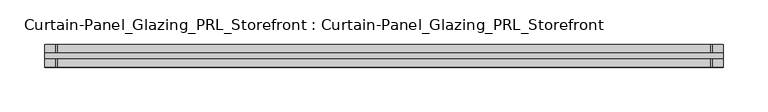
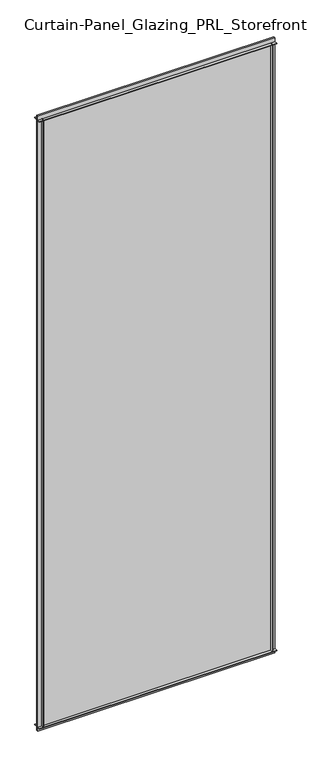
"""IFC4 building model written with IfcOpenShell, lengths in millimetres: plate geometry, Curtain-Panel_Glazing_PRL_Storefront : Curtain-Panel_Glazing_PRL_Storefront."""

from ifc_helpers import new_model, si_unit, frame, origin, origin_with_axes, place, context, project, spatial, polyline, outline, extrude, source, transform, mapped, element, save


def curtain_panel_glazing_prl_storefront_curtain_panel_glazing_d7cdb2a7(model_context):
    return source(origin(), model_context, "Body", "SweptSolid", [
        extrude(outline(polyline([(386.8208333, -12.7), (385.2333333, -12.7), (385.2333333, -3.175), (386.8208333, -3.175), (386.8208333, -12.7)])), frame((0.0, 0.0, 12.7), z_axis=(0.0, 0.0, 1.0), x_axis=(1.0, 0.0, 0.0)), (0.0, 0.0, 1.0), 2056.60625),
        extrude(outline(polyline([(386.8208333, 12.7), (386.8208333, 3.175), (385.2333333, 3.175), (385.2333333, 12.7), (386.8208333, 12.7)])), frame((0.0, 0.0, 12.7), z_axis=(0.0, 0.0, 1.0), x_axis=(1.0, 0.0, 0.0)), (0.0, 0.0, 1.0), 2056.60625),
        extrude(outline(polyline([(-348.7208333, -12.7), (-348.7208333, -3.175), (-347.1333333, -3.175), (-347.1333333, -12.7), (-348.7208333, -12.7)])), frame((0.0, 0.0, 12.7), z_axis=(0.0, 0.0, 1.0), x_axis=(1.0, 0.0, 0.0)), (0.0, 0.0, 1.0), 2056.60625),
        extrude(outline(polyline([(-348.7208333, 12.7), (-347.1333333, 12.7), (-347.1333333, 3.175), (-348.7208333, 3.175), (-348.7208333, 12.7)])), frame((0.0, 0.0, 12.7), z_axis=(0.0, 0.0, 1.0), x_axis=(1.0, 0.0, 0.0)), (0.0, 0.0, 1.0), 2056.60625),
        extrude(outline(polyline([(399.5208333, 3.175), (399.5208333, -3.175), (-361.4208333, -3.175), (-361.4208333, 3.175), (399.5208333, 3.175)])), origin_with_axes(), (0.0, 0.0, 1.0), 2082.00625),
        extrude(outline(polyline([(-361.4208333, -12.7), (-361.4208333, -3.175), (399.5208333, -3.175), (399.5208333, -12.7), (-361.4208333, -12.7)])), frame((0.0, 0.0, 2067.71875), z_axis=(0.0, 0.0, 1.0), x_axis=(1.0, 0.0, 0.0)), (0.0, 0.0, 1.0), 1.5875),
        extrude(outline(polyline([(-361.4208333, 12.7), (399.5208333, 12.7), (399.5208333, 3.175), (-361.4208333, 3.175), (-361.4208333, 12.7)])), frame((0.0, 0.0, 2067.71875), z_axis=(0.0, 0.0, 1.0), x_axis=(1.0, 0.0, 0.0)), (0.0, 0.0, 1.0), 1.5875),
        extrude(outline(polyline([(-361.4208333, -12.7), (-361.4208333, -3.175), (399.5208333, -3.175), (399.5208333, -12.7), (-361.4208333, -12.7)])), frame((0.0, 0.0, 12.7), z_axis=(0.0, 0.0, 1.0), x_axis=(1.0, 0.0, 0.0)), (0.0, 0.0, 1.0), 1.5875),
        extrude(outline(polyline([(-361.4208333, 12.7), (399.5208333, 12.7), (399.5208333, 3.175), (-361.4208333, 3.175), (-361.4208333, 12.7)])), frame((0.0, 0.0, 12.7), z_axis=(0.0, 0.0, 1.0), x_axis=(1.0, 0.0, 0.0)), (0.0, 0.0, 1.0), 1.5875),
    ])


if __name__ == "__main__":
    model = new_model("IFC4")
    model_context = context("Model", 3, world=origin())
    ifc_project = project(units=[si_unit("LENGTHUNIT", "METRE", prefix="MILLI")], contexts=[model_context])
    site = spatial("IfcSite", under=ifc_project)
    building = spatial("IfcBuilding", under=site)
    placement = place(None, origin())
    curtain_panel_glazing_prl_storefront_curtain_panel_glazing_shape = curtain_panel_glazing_prl_storefront_curtain_panel_glazing_d7cdb2a7(model_context)
    element("IfcPlate", 1, ObjectType="Curtain-Panel_Glazing_PRL_Storefront : Curtain-Panel_Glazing_PRL_Storefront", at=placement, inside=building, context=model_context, shape_type="MappedRepresentation", body=[
        mapped(curtain_panel_glazing_prl_storefront_curtain_panel_glazing_shape, transform((0.0, 0.0, 0.0), x_axis=(1.0, 0.0, 0.0), y_axis=(0.0, 1.0, 0.0), z_axis=(0.0, 0.0, 1.0))),
    ])
    save(model, "model.ifc")
